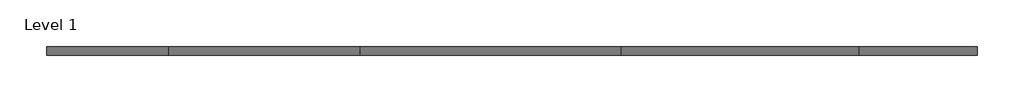
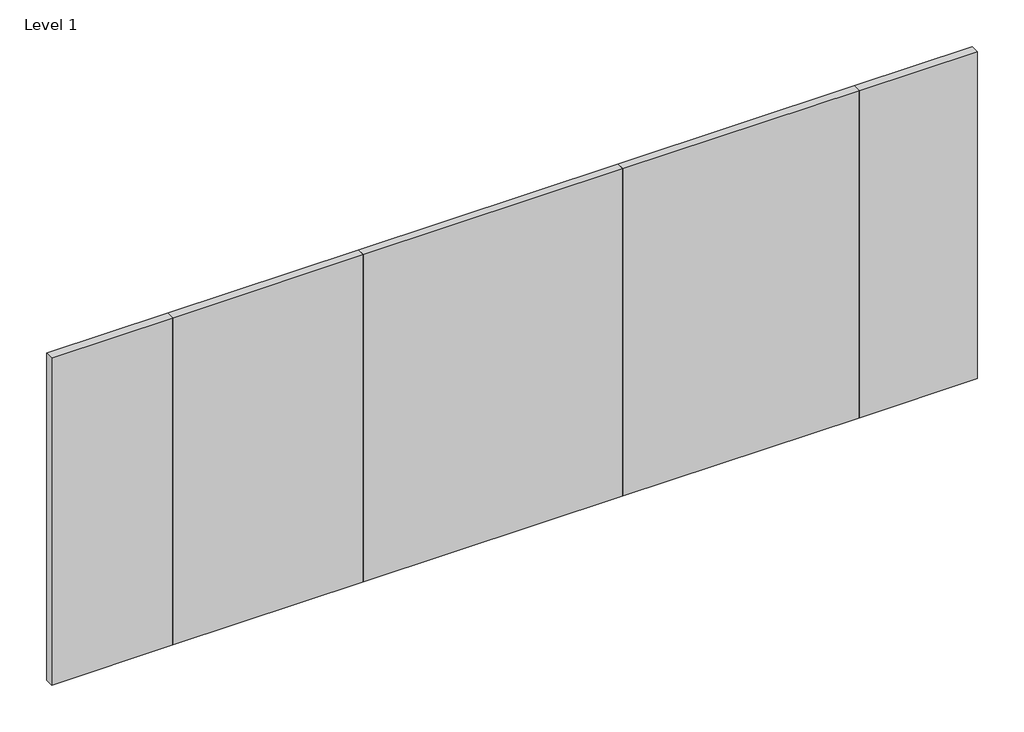
# One storey: 5 plates.
"""IFC4 building model written with IfcOpenShell, lengths in millimetres."""

import ifcopenshell
import ifcopenshell.guid

model = None  # the IFC model being written
_history = None  # IfcOwnerHistory: only IFC2X3 demands one
_inside = {}  # id of a spatial element -> (the spatial element, [elements in it])
_under = {}  # id of a project, library or spatial element -> (it, [spatial elements below it])
_declared = {}  # id of a project -> (the project, [libraries it declares])
_typed = {}  # id of a type object -> (the type object, [elements of that type])
_made_of = {}  # id of a material, layer set ... -> (it, [elements and type objects made of it])


def new_model(schema):
    """Start an empty IFC model of exactly this schema.

    Asked for "IFC4X3", IfcOpenShell would pick the latest addendum, in which some entities
    have other attributes; the version numbers below select the first issue.
    IFC2X3 requires an IfcOwnerHistory on every rooted entity: one is made here for all.
    """
    global model, _history
    if schema == "IFC4X3":
        model = ifcopenshell.file(schema_version=(4, 3, 0, 0))
    else:
        model = ifcopenshell.file(schema=schema)
    _inside.clear()
    _under.clear()
    _declared.clear()
    _typed.clear()
    _made_of.clear()
    _history = None
    if model.schema == "IFC2X3":
        org = make("IfcOrganization", Name="unknown")
        user = make(
            "IfcPersonAndOrganization",
            ThePerson=make("IfcPerson", FamilyName="unknown"),
            TheOrganization=org,
        )
        app = make(
            "IfcApplication",
            ApplicationDeveloper=org,
            Version="unknown",
            ApplicationFullName="unknown",
            ApplicationIdentifier="unknown",
        )
        _history = make(
            "IfcOwnerHistory",
            OwningUser=user,
            OwningApplication=app,
            ChangeAction="ADDED",
            CreationDate=0,
        )
    return model


def make(cls, **values):
    """One entity of the class cls with the attributes given. An attribute that is None is left unset."""
    return model.create_entity(
        cls, **{name: value for name, value in values.items() if value is not None}
    )


def rooted(cls, **values):
    """An entity with a GlobalId (a new one), such as an element, a storey or a relation."""
    return make(cls, GlobalId=ifcopenshell.guid.new(), OwnerHistory=_history, **values)


def si_unit(unit_type, name, prefix=None):
    """IfcSIUnit, for example si_unit("LENGTHUNIT", "METRE", prefix="MILLI")."""
    return make("IfcSIUnit", UnitType=unit_type, Prefix=prefix, Name=name)


def assignment(units):
    """IfcUnitAssignment: the units of a project."""
    return None if units is None else make("IfcUnitAssignment", Units=units)


def point(xyz):
    """IfcCartesianPoint."""
    return None if xyz is None else make("IfcCartesianPoint", Coordinates=xyz)


def direction(xyz):
    """IfcDirection."""
    return None if xyz is None else make("IfcDirection", DirectionRatios=xyz)


def frame(location, z_axis=None, x_axis=None):
    """IfcAxis2Placement3D, a coordinate frame: its origin and axes. An axis left out is left unset."""
    return make(
        "IfcAxis2Placement3D",
        Location=point(location),
        Axis=direction(z_axis),
        RefDirection=direction(x_axis),
    )


def origin():
    """The frame at (0, 0, 0) with its axes left unset."""
    return frame((0.0, 0.0, 0.0))


def origin_with_axes():
    """The frame at (0, 0, 0) with the z axis (0, 0, 1) and the x axis (1, 0, 0) written out."""
    return frame((0.0, 0.0, 0.0), z_axis=(0.0, 0.0, 1.0), x_axis=(1.0, 0.0, 0.0))


def place(relative_to, where):
    """IfcLocalPlacement: puts the frame where relative to a parent placement (None: the world)."""
    return make(
        "IfcLocalPlacement", PlacementRelTo=relative_to, RelativePlacement=where
    )


def context(
    kind, dimensions, precision=None, world=None, true_north=None, identifier=None
):
    """IfcGeometricRepresentationContext, for example the 3D "Model" context."""
    return make(
        "IfcGeometricRepresentationContext",
        ContextIdentifier=identifier,
        ContextType=kind,
        CoordinateSpaceDimension=dimensions,
        Precision=precision,
        WorldCoordinateSystem=world,
        TrueNorth=true_north,
    )


def project(units=None, contexts=None):
    """IfcProject with its units and contexts."""
    return rooted(
        "IfcProject",
        Name="project",
        RepresentationContexts=contexts,
        UnitsInContext=assignment(units),
    )


def spatial(cls, under=None, at=None, **own):
    """A site, building, storey or space (cls), placed at a placement, below another one or the project."""
    s = rooted(cls, ObjectPlacement=at, **own)
    if under is not None:
        _under.setdefault(under.id(), (under, []))[1].append(s)
    return s


def polyline(points):
    """IfcPolyline through the points."""
    return make("IfcPolyline", Points=[point(p) for p in points])


def outline(outer, holes=None, kind="AREA"):
    """IfcArbitraryClosedProfileDef: a profile drawn as a closed curve; with holes, ...WithVoids."""
    if holes is None:
        return make("IfcArbitraryClosedProfileDef", ProfileType=kind, OuterCurve=outer)
    return make(
        "IfcArbitraryProfileDefWithVoids",
        ProfileType=kind,
        OuterCurve=outer,
        InnerCurves=holes,
    )


def extrude(swept, where, along, depth):
    """IfcExtrudedAreaSolid: the profile swept, set in the frame where, extruded along a direction by depth."""
    return make(
        "IfcExtrudedAreaSolid",
        SweptArea=swept,
        Position=where,
        ExtrudedDirection=direction(along),
        Depth=depth,
    )


def shape(context_of_items, identifier, shape_type, items):
    """IfcShapeRepresentation: the items that make up one representation, for example the "Body"."""
    return make(
        "IfcShapeRepresentation",
        ContextOfItems=context_of_items,
        RepresentationIdentifier=identifier,
        RepresentationType=shape_type,
        Items=items,
    )


def source(mapping_origin, context_of_items, identifier, shape_type, items):
    """IfcRepresentationMap: a shape defined once, which mapped items show again and again."""
    return make(
        "IfcRepresentationMap",
        MappingOrigin=mapping_origin,
        MappedRepresentation=shape(context_of_items, identifier, shape_type, items),
    )


def transform(
    local_origin,
    x_axis=None,
    y_axis=None,
    z_axis=None,
    scale=None,
    scale2=None,
    scale3=None,
    uniform=True,
):
    """IfcCartesianTransformationOperator3D, or its non-uniform kind. x_axis, y_axis, z_axis: its Axis1, 2, 3."""
    if uniform:
        return make(
            "IfcCartesianTransformationOperator3D",
            Axis1=direction(x_axis),
            Axis2=direction(y_axis),
            LocalOrigin=point(local_origin),
            Scale=scale,
            Axis3=direction(z_axis),
        )
    return make(
        "IfcCartesianTransformationOperator3DnonUniform",
        Axis1=direction(x_axis),
        Axis2=direction(y_axis),
        LocalOrigin=point(local_origin),
        Scale=scale,
        Axis3=direction(z_axis),
        Scale2=scale2,
        Scale3=scale3,
    )


def mapped(mapping_source, mapping_target):
    """IfcMappedItem: shows the shape of a source again, moved by a transform."""
    return make(
        "IfcMappedItem", MappingSource=mapping_source, MappingTarget=mapping_target
    )


def made_of(thing, what):
    """Note that an element or type object is made of a material, layer set ...; save() writes the relation."""
    if what is not None:
        _made_of.setdefault(what.id(), (what, []))[1].append(thing)
    return thing


def element(
    cls,
    number,
    at=None,
    inside=None,
    cuts=None,
    type_object=None,
    material=None,
    context=None,
    identifier="Body",
    shape_type=None,
    held_by="IfcProductDefinitionShape",
    body=None,
    shapes=None,
    **own,
):
    """One element of the class cls, such as IfcWall. Its Tag is "e" and its number.

    at: its placement. inside: the storey or other place that contains it. cuts: it is an
    opening in that element (IfcRelVoidsElement). A single representation is given by context,
    identifier, shape_type and body (its items); several are given by shapes. held_by: the class
    of the entity that holds the representations. save() writes the other relations.
    """
    e = rooted(cls, Tag="e%d" % number, ObjectPlacement=at, **own)
    if body is not None:
        shapes = [shape(context, identifier, shape_type, body)]
    if shapes is not None:
        e.Representation = make(held_by, Representations=shapes)
    if inside is not None:
        _inside.setdefault(inside.id(), (inside, []))[1].append(e)
    if cuts is not None:
        rooted(
            "IfcRelVoidsElement", RelatingBuildingElement=cuts, RelatedOpeningElement=e
        )
    if type_object is not None:
        _typed.setdefault(type_object.id(), (type_object, []))[1].append(e)
    return made_of(e, material)


def aggregate(whole, parts):
    """IfcRelAggregates: a whole, such as a stair, and the parts it consists of."""
    return rooted("IfcRelAggregates", RelatingObject=whole, RelatedObjects=parts)


def save(model, path):
    """Write the relations noted so far, then the file.

    IfcRelAggregates (storeys below a building ...), IfcRelContainedInSpatialStructure (elements
    in a storey), IfcRelDefinesByType, IfcRelAssociatesMaterial and IfcRelDeclares: one each for
    every whole, place, type object, material and project.
    """
    for whole, parts in _under.values():
        aggregate(whole, parts)
    for where, things in _inside.values():
        rooted(
            "IfcRelContainedInSpatialStructure",
            RelatedElements=things,
            RelatingStructure=where,
        )
    for kind, things in _typed.values():
        rooted("IfcRelDefinesByType", RelatedObjects=things, RelatingType=kind)
    for what, things in _made_of.values():
        rooted("IfcRelAssociatesMaterial", RelatedObjects=things, RelatingMaterial=what)
    for by, libraries in _declared.values():
        rooted("IfcRelDeclares", RelatingContext=by, RelatedDefinitions=libraries)
    model.write(path)


def system_panel_glazed_b051777f(model_context):
    return source(origin(), model_context, "Body", "SweptSolid", [
        extrude(outline(polyline([(700.0, 50.0), (-700.0, 50.0), (-700.0, 150.0), (700.0, 150.0), (700.0, 50.0)])), origin_with_axes(), (0.0, 0.0, 1.0), 4000.0),
    ])


def system_panel_glazed_6e2394bd(model_context):
    return source(origin(), model_context, "Body", "SweptSolid", [
        extrude(outline(polyline([(1100.0, 50.0), (-1100.0, 50.0), (-1100.0, 150.0), (1100.0, 150.0), (1100.0, 50.0)])), origin_with_axes(), (0.0, 0.0, 1.0), 4000.0),
    ])


def system_panel_glazed_9d3c7ecc(model_context):
    return source(origin(), model_context, "Body", "SweptSolid", [
        extrude(outline(polyline([(1500.0, 50.0), (-1500.0, 50.0), (-1500.0, 150.0), (1500.0, 150.0), (1500.0, 50.0)])), origin_with_axes(), (0.0, 0.0, 1.0), 4000.0),
    ])


def system_panel_glazed_378c09a5(model_context):
    return source(origin(), model_context, "Body", "SweptSolid", [
        extrude(outline(polyline([(1366.6666667, 50.0), (-1366.6666667, 50.0), (-1366.6666667, 150.0), (1366.6666667, 150.0), (1366.6666667, 50.0)])), origin_with_axes(), (0.0, 0.0, 1.0), 4000.0),
    ])


def system_panel_glazed_882384e2(model_context):
    return source(origin(), model_context, "Body", "SweptSolid", [
        extrude(outline(polyline([(683.3333333, 50.0), (-683.3333333, 50.0), (-683.3333333, 150.0), (683.3333333, 150.0), (683.3333333, 50.0)])), origin_with_axes(), (0.0, 0.0, 1.0), 4000.0),
    ])


model = new_model("IFC4")

# Units and contexts
model_context = context("Model", 3, world=origin())
ifc_project = project(units=[si_unit("LENGTHUNIT", "METRE", prefix="MILLI")], contexts=[model_context])

# Site, building, storey
site = spatial("IfcSite", under=ifc_project)
building = spatial("IfcBuilding", under=site)
storey = spatial("IfcBuildingStorey", under=building, Name="Level 1", Elevation=0.0)

# Plates
placement = place(None, origin())
system_panel_glazed_shape = system_panel_glazed_b051777f(model_context)
element("IfcPlate", 1, ObjectType="System Panel : Glazed", at=placement, inside=storey, context=model_context, shape_type="MappedRepresentation", body=[
    mapped(system_panel_glazed_shape, transform((700.0, 0.0, 0.0), x_axis=(1.0, 0.0, 0.0), y_axis=(0.0, 1.0, 0.0), z_axis=(0.0, 0.0, 1.0))),
])
system_panel_glazed_2_shape = system_panel_glazed_6e2394bd(model_context)
element("IfcPlate", 2, ObjectType="System Panel : Glazed", at=placement, inside=storey, context=model_context, shape_type="MappedRepresentation", body=[
    mapped(system_panel_glazed_2_shape, transform((2500.0, 0.0, 0.0), x_axis=(1.0, 0.0, 0.0), y_axis=(0.0, 1.0, 0.0), z_axis=(0.0, 0.0, 1.0))),
])
system_panel_glazed_3_shape = system_panel_glazed_9d3c7ecc(model_context)
element("IfcPlate", 3, ObjectType="System Panel : Glazed", at=placement, inside=storey, context=model_context, shape_type="MappedRepresentation", body=[
    mapped(system_panel_glazed_3_shape, transform((5100.0, 0.0, 0.0), x_axis=(1.0, 0.0, 0.0), y_axis=(0.0, 1.0, 0.0), z_axis=(0.0, 0.0, 1.0))),
])
system_panel_glazed_4_shape = system_panel_glazed_378c09a5(model_context)
element("IfcPlate", 4, ObjectType="System Panel : Glazed", at=placement, inside=storey, context=model_context, shape_type="MappedRepresentation", body=[
    mapped(system_panel_glazed_4_shape, transform((7966.6666667, 0.0, 0.0), x_axis=(1.0, 0.0, 0.0), y_axis=(0.0, 1.0, 0.0), z_axis=(0.0, 0.0, 1.0))),
])
system_panel_glazed_5_shape = system_panel_glazed_882384e2(model_context)
element("IfcPlate", 5, ObjectType="System Panel : Glazed", at=placement, inside=storey, context=model_context, shape_type="MappedRepresentation", body=[
    mapped(system_panel_glazed_5_shape, transform((10016.6666667, 0.0, 0.0), x_axis=(1.0, 0.0, 0.0), y_axis=(0.0, 1.0, 0.0), z_axis=(0.0, 0.0, 1.0))),
])

save(model, "model.ifc")
